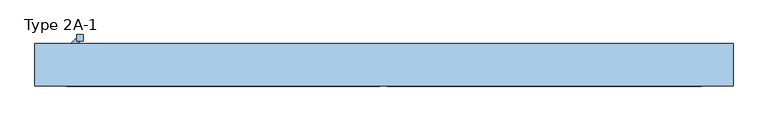
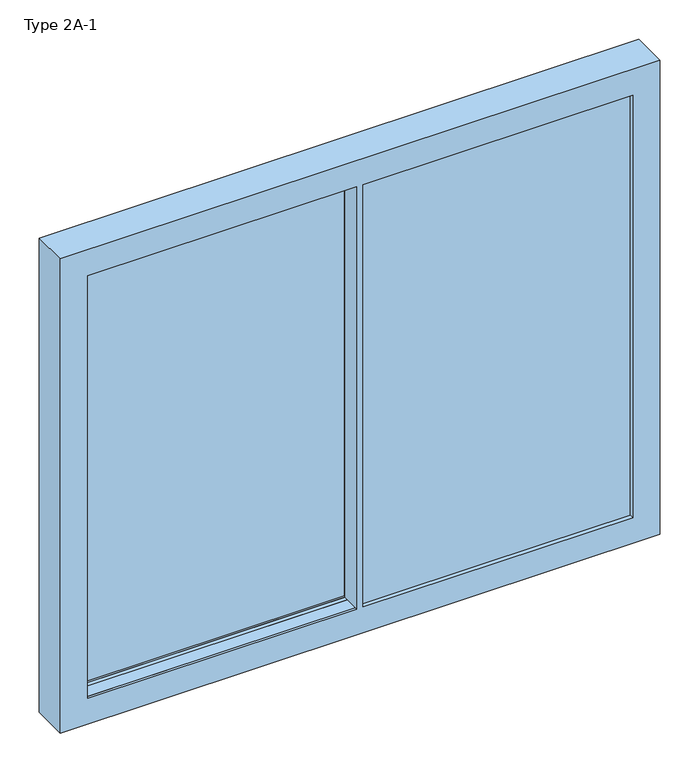
"""IFC4 building model written with IfcOpenShell, lengths in millimetres: window geometry, Type 2A-1."""

from ifc_helpers import new_model, si_unit, frame, origin, place, context, project, spatial, polyline, outline, extrude, faceted_brep, source, transform, mapped, element, save


def type_2a_1_a483f37e(model_context):
    return source(origin(), model_context, "Body", "SolidModel", [
        extrude(outline(polyline([(-1454.8444246, 93.0001997), (-1454.8444246, 87.0001997), (-1507.4226337, 87.0001997), (-1507.4226337, 93.0001997), (-1454.8444246, 93.0001997)])), frame((0.0, 0.0, 1287.5), z_axis=(0.0, 0.0, 1.0), x_axis=(1.0, 0.0, 0.0)), (0.0, 0.0, 1.0), 25.0),
        extrude(outline(polyline([(-1454.8444246, 93.0001997), (-1454.8444246, 87.0001997), (-1507.4226337, 87.0001997), (-1507.4226337, 93.0001997), (-1454.8444246, 93.0001997)])), frame((0.0, 0.0, 937.5), z_axis=(0.0, 0.0, 1.0), x_axis=(1.0, 0.0, 0.0)), (0.0, 0.0, 1.0), 25.0),
        extrude(outline(polyline([(-1443.5220941, 139.6778692), (-1443.5220941, 122.0001997), (-1425.8444246, 122.0001997), (-1454.8444246, 93.0001997), (-1490.1997637, 93.0001997), (-1443.5220941, 139.6778692)])), frame((0.0, 0.0, 1287.5), z_axis=(0.0, 0.0, 1.0), x_axis=(1.0, 0.0, 0.0)), (0.0, 0.0, 1.0), 25.0),
        extrude(outline(polyline([(-1443.5220941, 139.6778692), (-1443.5220941, 122.0001997), (-1425.8444246, 122.0001997), (-1454.8444246, 93.0001997), (-1490.1997637, 93.0001997), (-1443.5220941, 139.6778692)])), frame((0.0, 0.0, 937.5), z_axis=(0.0, 0.0, 1.0), x_axis=(1.0, 0.0, 0.0)), (0.0, 0.0, 1.0), 25.0),
        extrude(outline(polyline([(-1413.5220941, 122.0001997), (-1443.5220941, 122.0001997), (-1443.5220941, 152.0001997), (-1413.5220941, 152.0001997), (-1413.5220941, 122.0001997)])), frame((0.0, 0.0, 850.0), z_axis=(0.0, 0.0, 1.0), x_axis=(1.0, 0.0, 0.0)), (0.0, 0.0, 1.0), 550.0),
        faceted_brep([(0.0, 2.5, 0.0), (0.0, 21.5001997, 0.0), (19.800073, 21.5001997, 0.0), (19.800073, 2.5, 0.0), (19.800073, 110.0, 0.0), (19.800073, 98.5, 0.0), (-15.0, 98.5, 0.0), (-15.0, 110.0, 0.0), (0.0, 2.5, 2440.0), (19.800073, 2.5, 2440.0), (19.800073, 110.0, 2440.0), (19.800073, 98.5, 2440.0), (19.800073, 98.5, 2455.0), (19.800073, 21.5001997, 2455.0), (19.800073, 21.5001997, 2440.0), (19.800073, 21.5001997, -15.0), (19.800073, 98.5, -15.0), (-15.0, 110.0, 2440.0), (-15.0, 87.0001997, 0.0), (-15.0, 87.0001997, 2440.0), (-15.0, 98.5, 2440.0), (-1490.1997637, 98.5, 0.0), (-1519.9996907, 98.5, -15.0), (-1519.9996907, 98.5, 2455.0), (-1490.1997637, 98.5, 2440.0), (0.0, 21.5001997, 2440.0), (-1519.9996907, 21.5001997, 2455.0), (-1519.9996907, 21.5001997, -15.0), (-1490.1997637, 21.5001997, 2440.0), (-15.0, 21.5001997, 2440.0), (-15.0, 21.5001997, 0.0), (-1490.1997637, 21.5001997, 0.0), (-1500.9997637, 87.0001997, -10.8), (-4.2, 87.0001997, -10.8), (-4.2, 87.0001997, 2450.8), (-1500.9997637, 87.0001997, 2450.8), (-1490.1997637, 87.0001997, 2440.0), (-1490.1997637, 87.0001997, 0.0), (-1500.9997637, 33.0001997, 2450.8), (-1500.9997637, 33.0001997, -10.8), (-4.2, 33.0001997, -10.8), (-4.2, 33.0001997, 2450.8), (-1490.1997637, 33.0001997, 0.0), (-15.0, 33.0001997, 0.0), (-15.0, 33.0001997, 2440.0), (-1490.1997637, 33.0001997, 2440.0)], [[[0, 1, 2, 3]], [[4, 5, 6, 7]], [[8, 0, 3, 9]], [[10, 11, 12, 13, 14, 9, 3, 2, 15, 16, 5, 4]], [[10, 4, 7, 17]], [[17, 7, 6, 18, 19, 20]], [[21, 6, 5, 16, 22, 23, 12, 11, 20, 24]], [[8, 25, 1, 0]], [[25, 14, 13, 26, 27, 15, 2, 1], [28, 29, 30, 31]], [[32, 33, 34, 35], [36, 19, 18, 37]], [[37, 18, 6, 21]], [[36, 37, 21, 24]], [[38, 39, 32, 35]], [[39, 40, 33, 32]], [[38, 41, 40, 39], [42, 43, 44, 45]], [[28, 31, 42, 45]], [[31, 30, 43, 42]], [[22, 16, 15, 27]], [[40, 41, 34, 33]], [[30, 29, 44, 43]], [[23, 22, 27, 26]], [[9, 14, 25, 8]], [[11, 10, 17, 20]], [[24, 20, 19, 36]], [[35, 34, 41, 38]], [[45, 44, 29, 28]], [[13, 12, 23, 26]]]),
        extrude(outline(polyline([(-4.2, 87.0001997), (-4.2, 33.0001997), (-1500.9997637, 33.0001997), (-1500.9997637, 87.0001997), (-4.2, 87.0001997)])), frame((0.0, 0.0, -10.8), z_axis=(0.0, 0.0, 1.0), x_axis=(1.0, 0.0, 0.0)), (0.0, 0.0, 1.0), 2461.6),
        faceted_brep([(1490.0, 98.5, 2440.0), (1490.0, 110.0, 2440.0), (1490.0, 110.0, 0.0), (1490.0, 98.5, 0.0), (1640.0, 110.0, 2590.0), (1640.0, 110.0, -150.0), (-1640.0, 110.0, -150.0), (-1640.0, 110.0, 2590.0), (-1490.0, 110.0, 2440.0), (-1490.0, 110.0, 0.0), (-1490.0, 98.5, 0.0), (1553.5, 98.5, -63.5), (1553.5, 98.5, 2503.5), (-1553.5, 98.5, 2503.5), (-1553.5, 98.5, -63.5), (-1490.0, 98.5, 2440.0), (1553.5, 21.5, -63.5), (-1553.5, 21.5, -63.5), (1553.5, 21.5, 2503.5), (-1553.5, 21.5, 2503.5), (1490.0, 21.5, 0.0), (1490.0, 21.5, 2440.0), (-1490.0, 21.5, 2440.0), (-1490.0, 21.5, 0.0), (-1490.0, -1.5, 0.0), (-20.0, -1.5, 0.0), (-20.0, 17.9, 0.0), (0.0, 17.9, 0.0), (0.0, -1.5, 0.0), (15.0, -1.5, 0.0), (15.0, -13.0, 0.0), (1490.0, -13.0, 0.0), (1553.5, -1.5, -63.5), (1553.5, -1.5, 2503.5), (-1553.5, -1.5, 2503.5), (-1553.5, -1.5, -63.5), (-1490.0, -1.5, 2440.0), (-20.0, -1.5, 2440.0), (-20.0, -1.5, 2455.0), (1505.0, -1.5, 2455.0), (1505.0, -1.5, -15.0), (-20.0, -1.5, -15.0), (1640.0, -90.0, 2590.0), (1640.0, -90.0, -150.0), (-1640.0, -90.0, 2590.0), (-1640.0, -90.0, -150.0), (-1490.0, -90.0, 0.0), (-1490.0, -90.0, 2440.0), (-20.0, -90.0, 2440.0), (-20.0, -90.0, 0.0), (1490.0, -90.0, 2440.0), (1490.0, -90.0, 0.0), (15.0, -90.0, 0.0), (15.0, -90.0, 2440.0), (-1490.0, -78.5, 0.0), (-20.0, -78.5, 0.0), (1490.0, -67.0, 0.0), (15.0, -67.0, 0.0), (1490.0, -67.0, 2440.0), (1553.5, -78.5, 2503.5), (1553.5, -78.5, -63.5), (-1553.5, -78.5, -63.5), (-1553.5, -78.5, 2503.5), (-1490.0, -78.5, 2440.0), (-20.0, -78.5, -15.0), (1505.0, -78.5, -15.0), (1505.0, -78.5, 2455.0), (-20.0, -78.5, 2455.0), (-20.0, -78.5, 2440.0), (1490.0, -13.0, 2440.0), (15.0, -13.0, 2440.0), (15.0, -1.5, 2440.0), (0.0, -1.5, 2440.0), (0.0, 17.9, 2440.0), (-20.0, 17.9, 2440.0), (15.0, -67.0, 2440.0), (1500.8, -13.0, -10.8), (1500.8, -13.0, 2450.8), (4.2, -13.0, 2450.8), (4.2, -13.0, -10.8), (1500.8, -67.0, 2450.8), (1500.8, -67.0, -10.8), (4.2, -67.0, -10.8), (4.2, -67.0, 2450.8)], [[[0, 1, 2, 3]], [[4, 5, 6, 7], [2, 1, 8, 9]], [[3, 2, 9, 10]], [[11, 12, 13, 14], [0, 3, 10, 15]], [[16, 11, 14, 17]], [[18, 16, 17, 19], [20, 21, 22, 23]], [[20, 23, 24, 25, 26, 27, 28, 29, 30, 31]], [[32, 33, 34, 35], [24, 36, 37, 38, 39, 40, 41, 25]], [[4, 42, 43, 5]], [[43, 42, 44, 45], [46, 47, 48, 49], [50, 51, 52, 53]], [[5, 43, 45, 6]], [[10, 9, 8, 15]], [[6, 45, 44, 7]], [[54, 46, 49, 55]], [[56, 57, 52, 51]], [[24, 23, 22, 36]], [[51, 50, 58, 56]], [[59, 60, 61, 62], [63, 54, 55, 64, 65, 66, 67, 68]], [[60, 32, 35, 61]], [[18, 12, 11, 16]], [[59, 33, 32, 60]], [[17, 14, 13, 19]], [[61, 35, 34, 62]], [[1, 0, 15, 8]], [[36, 22, 21, 69, 70, 71, 72, 73, 74, 37]], [[12, 18, 19, 13]], [[42, 4, 7, 44]], [[75, 58, 50, 53]], [[47, 63, 68, 48]], [[33, 59, 62, 34]], [[47, 46, 54, 63]], [[49, 48, 68, 67, 38, 37, 74, 26, 25, 41, 64, 55]], [[57, 75, 53, 52]], [[21, 20, 31, 69]], [[76, 77, 78, 79], [31, 30, 70, 69]], [[26, 74, 73, 27]], [[27, 73, 72, 28]], [[71, 29, 28, 72]], [[70, 30, 29, 71]], [[80, 81, 82, 83], [56, 58, 75, 57]], [[65, 40, 39, 66]], [[40, 65, 64, 41]], [[80, 77, 76, 81]], [[81, 76, 79, 82]], [[82, 79, 78, 83]], [[66, 39, 38, 67]], [[77, 80, 83, 78]]]),
        extrude(outline(polyline([(1490.0, 98.5), (1505.0, 98.5), (1505.0, 21.5), (1490.0, 21.5), (1490.0, 98.5)])), frame((0.0, 0.0, -15.0), z_axis=(0.0, 0.0, 1.0), x_axis=(1.0, 0.0, 0.0)), (0.0, 0.0, 1.0), 2470.0),
        extrude(outline(polyline([(2440.0103828, 0.0), (2455.0103828, 0.0), (2455.0103828, -1505.0), (-15.0103828, -1505.0), (-15.0103828, 0.0), (-0.0103828, 0.0), (-0.0103828, -1490.0), (2440.0103828, -1490.0), (2440.0103828, 0.0)])), frame((0.0, -78.5, 0.0), z_axis=(0.0, 1.0, 0.0), x_axis=(0.0, 0.0, 1.0)), (0.0, 0.0, 1.0), 77.0),
        extrude(outline(polyline([(4.2, -13.0), (1500.8, -13.0), (1500.8, -67.0), (4.2, -67.0), (4.2, -13.0)])), frame((0.0, 0.0, -10.8), z_axis=(0.0, 0.0, 1.0), x_axis=(1.0, 0.0, 0.0)), (0.0, 0.0, 1.0), 2461.6),
        extrude(outline(polyline([(21.5, -63.5), (21.5, -28.0), (50.0099329, -28.0), (60.0, -32.6584448), (69.9900671, -28.0), (98.5, -28.0), (98.5, -63.5), (21.5, -63.5)])), frame((-1505.0, 0.0, 0.0), z_axis=(1.0, 0.0, 0.0), x_axis=(0.0, 1.0, 0.0)), (0.0, 0.0, 1.0), 3010.0),
        extrude(outline(polyline([(-1505.0, 52.3501997), (-1505.0, 67.6501997), (1505.0, 67.6501997), (1505.0, 52.3501997), (-1505.0, 52.3501997)])), frame((0.0, 0.0, 2476.5103828), z_axis=(0.0, 0.0, 1.0), x_axis=(1.0, 0.0, 0.0)), (0.0, 0.0, 1.0), 26.9896172),
    ])


if __name__ == "__main__":
    model = new_model("IFC4")
    model_context = context("Model", 3, world=origin())
    ifc_project = project(units=[si_unit("LENGTHUNIT", "METRE", prefix="MILLI")], contexts=[model_context])
    site = spatial("IfcSite", under=ifc_project)
    building = spatial("IfcBuilding", under=site)
    placement = place(None, origin())
    type_2a_1_shape = type_2a_1_a483f37e(model_context)
    element("IfcWindow", 1, ObjectType="Type 2A-1", at=placement, inside=building, context=model_context, shape_type="MappedRepresentation", body=[
        mapped(type_2a_1_shape, transform((0.0, 0.0, 0.0), x_axis=(1.0, 0.0, 0.0), y_axis=(0.0, 1.0, 0.0), z_axis=(0.0, 0.0, 1.0))),
    ])
    save(model, "model.ifc")
